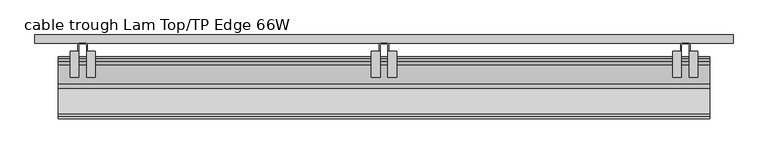
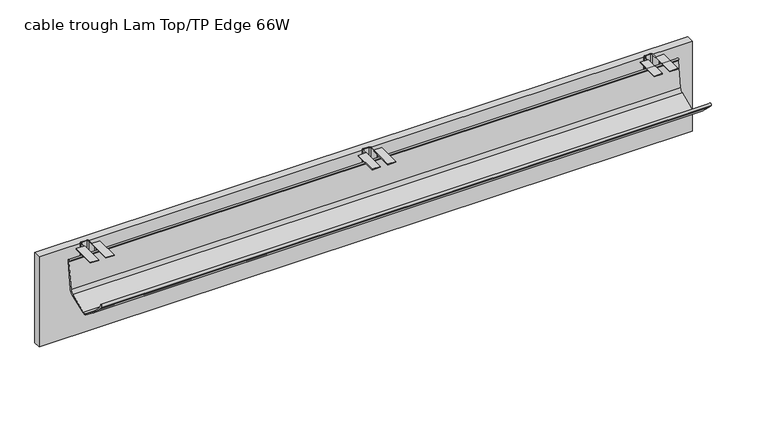
"""IFC4 building model written with IfcOpenShell, lengths in millimetres: furniture geometry, cable trough Lam Top/TP Edge 66W."""

from ifc_helpers import new_model, si_unit, point, frame, frame_2d, origin, place, context, project, spatial, polyline, circle_curve, trimmed, segment, composite_curve, outline, extrude, source, transform, mapped, element, save
from ifc_brep_helpers import plane_surface, cylinder_surface, revolved_surface, advanced_brep


def cable_trough_lam_top_tp_edge_66w_a06136c3(model_context):
    return source(origin(), model_context, "Body", "SolidModel", [
        advanced_brep(
        [(1608.3153477, -129.9784643, 581.1783587), (1608.3153477, -138.7139894, 582.4060567), (1608.3153477, -198.75422, 634.7826925), (1608.3153477, -205.6805694, 647.1068285), (1608.3153477, -210.7198187, 643.3318213), (1608.3153477, -201.9455586, 634.3526316), (1608.3153477, -140.1690696, 580.3237712), (1608.3153477, -128.7464487, 578.9254856), (1608.3153477, -81.6381997, 596.9970871), (1608.3153477, -71.8455102, 609.1183797), (1608.3153477, -64.3572545, 676.9567898), (1608.3153477, -64.1154724, 681.4861643), (1608.3153477, -68.0580279, 680.8258123), (1608.3153477, -66.8071049, 677.1174631), (1608.3153477, -75.8148763, 609.8656088), (1608.3153477, -83.0609093, 601.0742849), (64.9478, -129.9784643, 581.1783587), (64.9478, -83.0609093, 601.0742849), (64.9478, -75.8148763, 609.8656088), (64.9478, -66.8071049, 677.1174631), (64.9478, -68.0580279, 680.8258123), (64.9478, -64.1154724, 681.4861643), (64.9478, -64.3572545, 676.9567898), (64.9478, -71.8455102, 609.1183797), (64.9478, -81.6381999, 596.9970876), (64.9478, -128.7464487, 578.9254856), (64.9478, -140.1690696, 580.3237712), (64.9478, -201.9455586, 634.3526316), (64.9478, -210.7198187, 643.3318213), (64.9478, -205.6805694, 647.1068285), (64.9478, -198.75422, 634.7826925), (64.9478, -138.7139894, 582.4060567)],
        [
            (0, 1, circle_curve(frame((1608.3153477, -133.1380873, 590.3885672), z_axis=(-1.0, 0.0, 0.0), x_axis=(0.0, 1.0, 0.0)), 9.7371022)),
            (1, 2, circle_curve(frame((1608.3153477, 73.7032601, 886.5044589), z_axis=(-1.0, 0.0, 0.0), x_axis=(0.0, 1.0, 0.0)), 370.9405965)),
            (2, 3),
            (3, 4, circle_curve(frame((1608.3153477, -208.4487225, 645.5510849), z_axis=(1.0, 0.0, 0.0), x_axis=(0.0, 1.0, 0.0)), 3.1753754)),
            (4, 5),
            (5, 6, circle_curve(frame((1608.3153477, 76.537838, 890.4379944), z_axis=(1.0, 0.0, 0.0), x_axis=(0.0, 1.0, 0.0)), 378.3288454)),
            (6, 7, circle_curve(frame((1608.3153477, -133.1410154, 590.381132), z_axis=(1.0, 0.0, 0.0), x_axis=(0.0, 1.0, 0.0)), 12.2696394)),
            (7, 8, circle_curve(frame((1608.3153477, -392.0017774, 1335.603441), z_axis=(1.0, 0.0, 0.0), x_axis=(0.0, 1.0, 0.0)), 801.1647124)),
            (8, 9, circle_curve(frame((1608.3153477, -88.0102619, 612.1613845), z_axis=(1.0, 0.0, 0.0), x_axis=(0.0, 1.0, 0.0)), 16.4486801)),
            (9, 10, circle_curve(frame((1608.3153477, -512.7649574, 692.1212018), z_axis=(1.0, 0.0, 0.0), x_axis=(0.0, 1.0, 0.0)), 448.6640474)),
            (10, 11),
            (11, 12, circle_curve(frame((1608.3153477, -66.1477003, 681.5198841), z_axis=(1.0, 0.0, 0.0), x_axis=(0.0, 1.0, 0.0)), 2.0325076)),
            (12, 13),
            (13, 14, circle_curve(frame((1608.3153477, -447.5076004, 693.8796345), z_axis=(-1.0, 0.0, 0.0), x_axis=(0.0, 1.0, 0.0)), 381.0693344)),
            (14, 15, circle_curve(frame((1608.3153477, -89.557462, 613.8107535), z_axis=(-1.0, 0.0, 0.0), x_axis=(0.0, 1.0, 0.0)), 14.2976511)),
            (15, 0, circle_curve(frame((1608.3153477, -247.1923462, 922.853387), z_axis=(-1.0, 0.0, 0.0), x_axis=(0.0, 1.0, 0.0)), 361.2214267)),
            (16, 17, circle_curve(frame((64.9478, -247.1923462, 922.853387), z_axis=(1.0, 0.0, 0.0), x_axis=(0.0, 1.0, 0.0)), 361.2214267)),
            (17, 18, circle_curve(frame((64.9478, -89.557462, 613.8107535), z_axis=(1.0, 0.0, 0.0), x_axis=(0.0, 1.0, 0.0)), 14.2976511)),
            (18, 19, circle_curve(frame((64.9478, -447.5076004, 693.8796345), z_axis=(1.0, 0.0, 0.0), x_axis=(0.0, 1.0, 0.0)), 381.0693344)),
            (19, 20),
            (20, 21, circle_curve(frame((64.9478, -66.1477003, 681.5198841), z_axis=(-1.0, 0.0, 0.0), x_axis=(0.0, 1.0, 0.0)), 2.0325076)),
            (21, 22),
            (22, 23, circle_curve(frame((64.9478, -512.7649574, 692.1212018), z_axis=(-1.0, 0.0, 0.0), x_axis=(0.0, 1.0, 0.0)), 448.6640474)),
            (23, 24, circle_curve(frame((64.9478, -88.0102619, 612.1613845), z_axis=(-1.0, 0.0, 0.0), x_axis=(0.0, 1.0, 0.0)), 16.4486801)),
            (24, 25, circle_curve(frame((64.9478, -392.0017774, 1335.603441), z_axis=(-1.0, 0.0, 0.0), x_axis=(0.0, 1.0, 0.0)), 801.1647124)),
            (25, 26, circle_curve(frame((64.9478, -133.1410154, 590.381132), z_axis=(-1.0, 0.0, 0.0), x_axis=(0.0, 1.0, 0.0)), 12.2696394)),
            (26, 27, circle_curve(frame((64.9478, 76.537838, 890.4379944), z_axis=(-1.0, 0.0, 0.0), x_axis=(0.0, 1.0, 0.0)), 378.3288454)),
            (27, 28),
            (28, 29, circle_curve(frame((64.9478, -208.4487225, 645.5510849), z_axis=(-1.0, 0.0, 0.0), x_axis=(0.0, 1.0, 0.0)), 3.1753754)),
            (29, 30),
            (30, 31, circle_curve(frame((64.9478, 73.7032601, 886.5044589), z_axis=(1.0, 0.0, 0.0), x_axis=(0.0, 1.0, 0.0)), 370.9405965)),
            (31, 16, circle_curve(frame((64.9478, -133.1380873, 590.3885672), z_axis=(1.0, 0.0, 0.0), x_axis=(0.0, 1.0, 0.0)), 9.7371022)),
            (0, 16),
            (31, 1),
            (30, 2),
            (29, 3),
            (28, 4),
            (27, 5),
            (26, 6),
            (25, 7),
            (24, 8),
            (23, 9),
            (22, 10),
            (21, 11),
            (20, 12),
            (19, 13),
            (18, 14),
            (17, 15),
        ],
        [
            plane_surface(frame((1608.3153477, -123.4009851, 590.3885672), z_axis=(1.0, 0.0, 0.0), x_axis=(0.0, 0.0, -1.0))),
            plane_surface(frame((64.9478, -123.4009851, 590.3885672), z_axis=(-1.0, 0.0, 0.0), x_axis=(0.0, 0.0, 1.0))),
            revolved_surface(polyline([(64.9478, -123.4009851, 590.3885672), (1608.3153477, -123.4009851, 590.3885672)]), (64.9478, -133.1380873, 590.3885672), (-1.0, 0.0, 0.0)),
            revolved_surface(polyline([(64.9478, 444.64385660000005, 886.5044589), (1608.3153477, 444.64385660000005, 886.5044589)]), (64.9478, 73.7032601, 886.5044589), (-1.0, 0.0, 0.0)),
            plane_surface(frame((1608.3153477, -198.75422, 634.7826925), z_axis=(0.0, 0.8717561364351308, 0.48994003570609895), x_axis=(-1.0, 0.0, 0.0))),
            cylinder_surface(frame((64.9478, -208.4487225, 645.5510849), z_axis=(1.0, 0.0, 0.0), x_axis=(0.0, 1.0, 0.0)), 3.1753754),
            plane_surface(frame((1608.3153477, -210.7198187, 643.3318213), z_axis=(0.0, -0.7152213309695182, -0.698898023839094), x_axis=(-1.0, 0.0, 0.0))),
            cylinder_surface(frame((64.9478, 76.537838, 890.4379944), z_axis=(1.0, 0.0, 0.0), x_axis=(0.0, 1.0, 0.0)), 378.3288454),
            cylinder_surface(frame((64.9478, -133.1410154, 590.381132), z_axis=(1.0, 0.0, 0.0), x_axis=(0.0, 1.0, 0.0)), 12.2696394),
            cylinder_surface(frame((64.9478, -392.0017774, 1335.603441), z_axis=(1.0, 0.0, 0.0), x_axis=(0.0, 1.0, 0.0)), 801.1647124),
            cylinder_surface(frame((64.9478, -88.0102619, 612.1613845), z_axis=(1.0, 0.0, 0.0), x_axis=(0.0, 1.0, 0.0)), 16.4486801),
            cylinder_surface(frame((64.9478, -512.7649574, 692.1212018), z_axis=(1.0, 0.0, 0.0), x_axis=(0.0, 1.0, 0.0)), 448.6640474),
            plane_surface(frame((1608.3153477, -64.3572545, 676.9567898), z_axis=(0.0, 0.9985782770989874, -0.053305013891922694), x_axis=(-1.0, 0.0, 0.0))),
            cylinder_surface(frame((64.9478, -66.1477003, 681.5198841), z_axis=(1.0, 0.0, 0.0), x_axis=(0.0, 1.0, 0.0)), 2.0325076),
            plane_surface(frame((1608.3153477, -68.0580279, 680.8258123), z_axis=(0.0, -0.9475421980032603, -0.3196306978422916), x_axis=(-1.0, 0.0, 0.0))),
            revolved_surface(polyline([(64.9478, -66.438266, 693.8796345), (1608.3153477, -66.438266, 693.8796345)]), (64.9478, -447.5076004, 693.8796345), (-1.0, 0.0, 0.0)),
            revolved_surface(polyline([(64.9478, -75.2598109, 613.8107535), (1608.3153477, -75.2598109, 613.8107535)]), (64.9478, -89.557462, 613.8107535), (-1.0, 0.0, 0.0)),
            revolved_surface(polyline([(64.9478, 114.02908049999999, 922.853387), (1608.3153477, 114.02908049999999, 922.853387)]), (64.9478, -247.1923462, 922.853387), (-1.0, 0.0, 0.0)),
        ],
        [
            (0, [[1, 2, 3, 4, 5, 6, 7, 8, 9, 10, 11, 12, 13, 14, 15, 16]]),
            (1, [[17, 18, 19, 20, 21, 22, 23, 24, 25, 26, 27, 28, 29, 30, 31, 32]]),
            (2, [[-1, 33, -32, 34]]),
            (3, [[-2, -34, -31, 35]]),
            (4, [[-3, -35, -30, 36]]),
            (5, [[-4, -36, -29, 37]]),
            (6, [[-5, -37, -28, 38]]),
            (7, [[-6, -38, -27, 39]]),
            (8, [[-7, -39, -26, 40]]),
            (9, [[-8, -40, -25, 41]]),
            (10, [[-9, -41, -24, 42]]),
            (11, [[-10, -42, -23, 43]]),
            (12, [[-11, -43, -22, 44]]),
            (13, [[-12, -44, -21, 45]]),
            (14, [[-13, -45, -20, 46]]),
            (15, [[-14, -46, -19, 47]]),
            (16, [[-15, -47, -18, 48]]),
            (17, [[-16, -48, -17, -33]]),
        ],
    ),
        extrude(outline(composite_curve([segment(polyline([(847.8520075, -36.9120729), (847.8520075, -64.1154724), (846.0993892, -64.1154724), (846.0993892, -36.9120524)]), True, "CONTINUOUS"), segment(trimmed(circle_curve(frame_2d((842.8228087, -36.9120524)), 3.2765805), [point((846.0993892, -36.9120524))], [point((842.8228087, -33.6354719))], True, "CARTESIAN"), True, "CONTINUOUS"), segment(polyline([(842.8228087, -33.6354719), (830.5292118, -33.6354719)]), True, "CONTINUOUS"), segment(trimmed(circle_curve(frame_2d((830.5292118, -36.9120729)), 3.276601), [point((830.5292118, -33.6354719))], [point((827.2526108, -36.9120729))], True, "CARTESIAN"), True, "CONTINUOUS"), segment(polyline([(827.2526108, -36.9120729), (827.2526108, -64.1154724), (825.5000288, -64.1154724), (825.5000288, -36.9138188)]), True, "CONTINUOUS"), segment(trimmed(circle_curve(frame_2d((830.5292277, -36.9138188)), 5.0291988), [point((825.5000288, -36.9138188))], [point((830.5292277, -31.88462))], False, "CARTESIAN"), True, "CONTINUOUS"), segment(polyline([(830.5292277, -31.88462), (842.8245546, -31.88462)]), True, "CONTINUOUS"), segment(trimmed(circle_curve(frame_2d((842.8245546, -36.9120729)), 5.0274529), [point((842.8245546, -31.88462))], [point((847.8520075, -36.9120729))], False, "CARTESIAN"), True, "CONTINUOUS")], self_intersect=False)), frame((0.0, 0.0, 627.634001), z_axis=(0.0, 0.0, 1.0), x_axis=(1.0, 0.0, 0.0)), (0.0, 0.0, 1.0), 64.6430019),
        extrude(outline(polyline([(827.2526108, -50.8780491), (827.2526108, -112.3460495), (806.8817975, -112.3460495), (806.8817975, -50.8780491), (827.2526108, -50.8780491)])), frame((0.0, 0.0, 692.2770029), z_axis=(0.0, 0.0, 1.0), x_axis=(1.0, 0.0, 0.0)), (0.0, 0.0, 1.0), 1.7525971),
        extrude(outline(polyline([(846.0993892, -50.8780491), (866.4702025, -50.8780491), (866.4702025, -112.3460495), (846.0993892, -112.3460495), (846.0993892, -50.8780491)])), frame((0.0, 0.0, 692.2770029), z_axis=(0.0, 0.0, 1.0), x_axis=(1.0, 0.0, 0.0)), (0.0, 0.0, 1.0), 1.7525971),
        extrude(outline(composite_curve([segment(polyline([(134.034088, -64.1154724), (132.2814878, -64.1154724), (132.2814878, -36.9120706)]), True, "CONTINUOUS"), segment(trimmed(circle_curve(frame_2d((129.0048891, -36.9120706)), 3.2765987), [point((132.2814878, -36.9120706))], [point((129.0048891, -33.6354719))], True, "CARTESIAN"), True, "CONTINUOUS"), segment(polyline([(129.0048891, -33.6354719), (116.7112831, -33.6354719)]), True, "CONTINUOUS"), segment(trimmed(circle_curve(frame_2d((116.7112831, -36.9120729)), 3.276601), [point((116.7112831, -33.6354719))], [point((113.4346822, -36.9120729))], True, "CARTESIAN"), True, "CONTINUOUS"), segment(polyline([(113.4346822, -36.9120729), (113.4346822, -64.1154724), (111.682082, -64.1154724), (111.682082, -36.9073034)]), True, "CONTINUOUS"), segment(trimmed(circle_curve(frame_2d((116.7047655, -36.9073034)), 5.0226834), [point((111.682082, -36.9073034))], [point((116.7047655, -31.88462))], False, "CARTESIAN"), True, "CONTINUOUS"), segment(polyline([(116.7047655, -31.88462), (129.0066351, -31.88462)]), True, "CONTINUOUS"), segment(trimmed(circle_curve(frame_2d((129.0066351, -36.9120729)), 5.0274529), [point((129.0066351, -31.88462))], [point((134.034088, -36.9120729))], False, "CARTESIAN"), True, "CONTINUOUS"), segment(polyline([(134.034088, -36.9120729), (134.034088, -64.1154724)]), True, "CONTINUOUS")], self_intersect=False)), frame((0.0, 0.0, 627.634001), z_axis=(0.0, 0.0, 1.0), x_axis=(1.0, 0.0, 0.0)), (0.0, 0.0, 1.0), 64.6430019),
        extrude(outline(composite_curve([segment(polyline([(1561.6720465, -64.1154724), (1559.9194282, -64.1154724), (1559.9194282, -36.9120524)]), True, "CONTINUOUS"), segment(trimmed(circle_curve(frame_2d((1556.6428476, -36.9120524)), 3.2765805), [point((1559.9194282, -36.9120524))], [point((1556.6428476, -33.6354719))], True, "CARTESIAN"), True, "CONTINUOUS"), segment(polyline([(1556.6428476, -33.6354719), (1544.3492507, -33.6354719)]), True, "CONTINUOUS"), segment(trimmed(circle_curve(frame_2d((1544.3492507, -36.9120729)), 3.276601), [point((1544.3492507, -33.6354719))], [point((1541.0726498, -36.9120729))], True, "CARTESIAN"), True, "CONTINUOUS"), segment(polyline([(1541.0726498, -36.9120729), (1541.0726498, -64.1154724), (1539.3200315, -64.1154724), (1539.3200315, -36.9072943)]), True, "CONTINUOUS"), segment(trimmed(circle_curve(frame_2d((1544.3427058, -36.9072943)), 5.0226743), [point((1539.3200315, -36.9072943))], [point((1544.3427058, -31.88462))], False, "CARTESIAN"), True, "CONTINUOUS"), segment(polyline([(1544.3427058, -31.88462), (1556.6445936, -31.88462)]), True, "CONTINUOUS"), segment(trimmed(circle_curve(frame_2d((1556.6445936, -36.9120729)), 5.0274529), [point((1556.6445936, -31.88462))], [point((1561.6720465, -36.9120729))], False, "CARTESIAN"), True, "CONTINUOUS"), segment(polyline([(1561.6720465, -36.9120729), (1561.6720465, -64.1154724)]), True, "CONTINUOUS")], self_intersect=False)), frame((0.0, 0.0, 627.634001), z_axis=(0.0, 0.0, 1.0), x_axis=(1.0, 0.0, 0.0)), (0.0, 0.0, 1.0), 64.6430019),
        extrude(outline(polyline([(113.4346822, -112.3460495), (93.0638871, -112.3460495), (93.0638871, -50.8780491), (113.4346822, -50.8780491), (113.4346822, -112.3460495)])), frame((0.0, 0.0, 692.2770029), z_axis=(0.0, 0.0, 1.0), x_axis=(1.0, 0.0, 0.0)), (0.0, 0.0, 1.0), 1.7525971),
        extrude(outline(polyline([(152.652292, -50.8780491), (152.652292, -112.3460495), (132.2814878, -112.3460495), (132.2814878, -50.8780491), (152.652292, -50.8780491)])), frame((0.0, 0.0, 692.2770029), z_axis=(0.0, 0.0, 1.0), x_axis=(1.0, 0.0, 0.0)), (0.0, 0.0, 1.0), 1.7525971),
        extrude(outline(polyline([(1541.0726498, -50.8780491), (1541.0726498, -112.3460495), (1520.7018365, -112.3460495), (1520.7018365, -50.8780491), (1541.0726498, -50.8780491)])), frame((0.0, 0.0, 692.2770029), z_axis=(0.0, 0.0, 1.0), x_axis=(1.0, 0.0, 0.0)), (0.0, 0.0, 1.0), 1.7525971),
        extrude(outline(polyline([(1559.9194282, -50.8780491), (1580.2902414, -50.8780491), (1580.2902414, -112.3460495), (1559.9194282, -112.3460495), (1559.9194282, -50.8780491)])), frame((0.0, 0.0, 692.2770029), z_axis=(0.0, 0.0, 1.0), x_axis=(1.0, 0.0, 0.0)), (0.0, 0.0, 1.0), 1.7525971),
        extrude(outline(polyline([(1663.446, -12.58062), (1663.446, -31.88462), (9.906, -31.88462), (9.906, -12.58062), (1663.446, -12.58062)])), frame((0.0, 0.0, 447.66738), z_axis=(0.0, 0.0, 1.0), x_axis=(1.0, 0.0, 0.0)), (0.0, 0.0, 1.0), 241.3),
    ])


if __name__ == "__main__":
    model = new_model("IFC4")
    model_context = context("Model", 3, world=origin())
    ifc_project = project(units=[si_unit("LENGTHUNIT", "METRE", prefix="MILLI")], contexts=[model_context])
    site = spatial("IfcSite", under=ifc_project)
    building = spatial("IfcBuilding", under=site)
    placement = place(None, origin())
    cable_trough_lam_top_tp_edge_66w_shape = cable_trough_lam_top_tp_edge_66w_a06136c3(model_context)
    element("IfcFurniture", 1, ObjectType="cable trough Lam Top/TP Edge 66W", at=placement, inside=building, context=model_context, shape_type="MappedRepresentation", body=[
        mapped(cable_trough_lam_top_tp_edge_66w_shape, transform((0.0, 0.0, 0.0), x_axis=(1.0, 0.0, 0.0), y_axis=(0.0, 1.0, 0.0), z_axis=(0.0, 0.0, 1.0))),
    ])
    save(model, "model.ifc")
